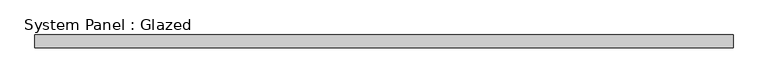
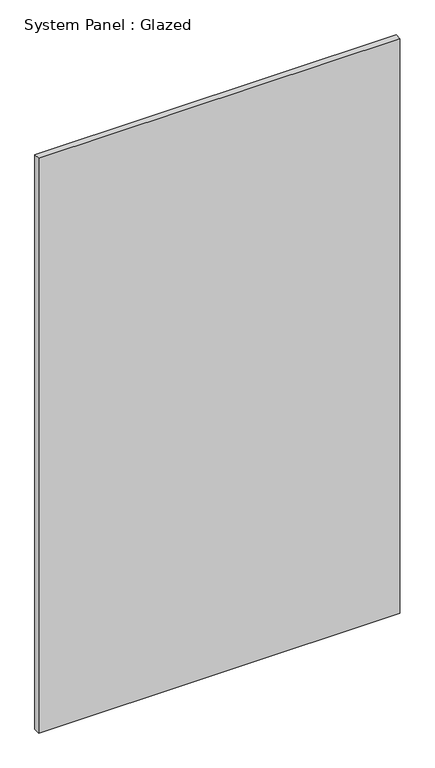
"""IFC4 building model written with IfcOpenShell, lengths in millimetres: plate geometry, System Panel : Glazed."""

from ifc_helpers import new_model, si_unit, origin, origin_with_axes, place, context, project, spatial, polyline, outline, extrude, source, transform, mapped, element, save


def system_panel_glazed_422cbce1(model_context):
    return source(origin(), model_context, "Body", "SweptSolid", [
        extrude(outline(polyline([(690.8333333, 24.5), (-690.8333333, 24.5), (-690.8333333, 49.5), (690.8333333, 49.5), (690.8333333, 24.5)])), origin_with_axes(), (0.0, 0.0, 1.0), 2325.0),
    ])


if __name__ == "__main__":
    model = new_model("IFC4")
    model_context = context("Model", 3, world=origin())
    ifc_project = project(units=[si_unit("LENGTHUNIT", "METRE", prefix="MILLI")], contexts=[model_context])
    site = spatial("IfcSite", under=ifc_project)
    building = spatial("IfcBuilding", under=site)
    placement = place(None, origin())
    system_panel_glazed_shape = system_panel_glazed_422cbce1(model_context)
    element("IfcPlate", 1, ObjectType="System Panel : Glazed", at=placement, inside=building, context=model_context, shape_type="MappedRepresentation", body=[
        mapped(system_panel_glazed_shape, transform((0.0, 0.0, 0.0), x_axis=(1.0, 0.0, 0.0), y_axis=(0.0, 1.0, 0.0), z_axis=(0.0, 0.0, 1.0))),
    ])
    save(model, "model.ifc")
